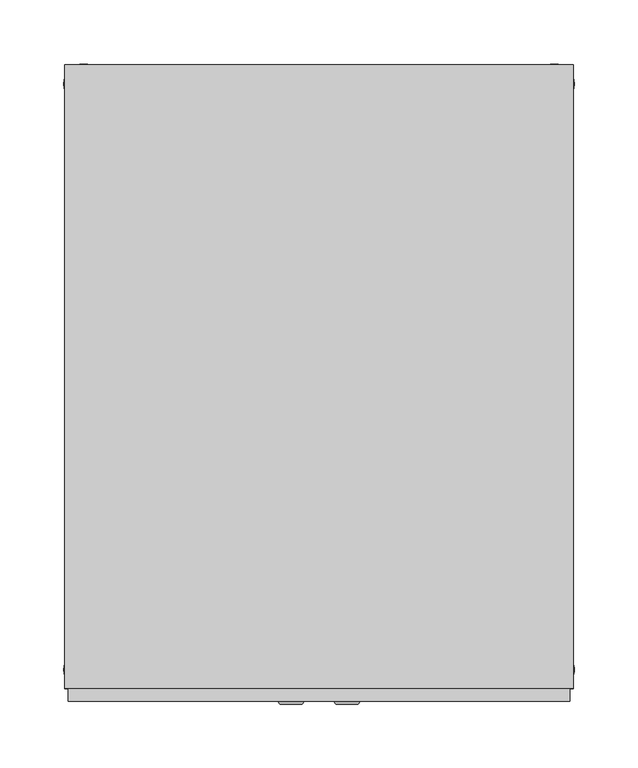
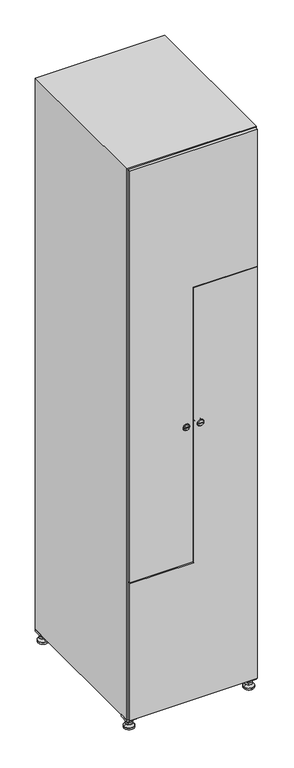
"""IFC4 building model written with IfcOpenShell, lengths in millimetres: furniture geometry."""

from ifc_helpers import new_model, si_unit, point, frame, frame_2d, origin, origin_with_axes, place, context, project, spatial, polyline, circle_curve, trimmed, segment, composite_curve, outline, extrude, faceted_brep, source, transform, mapped, element, save
from ifc_brep_helpers import plane_surface, revolved_surface, advanced_brep


def furniture_ac63d819(model_context):
    return source(origin(), model_context, "Body", "SolidModel", [
        extrude(outline(polyline([(200.0, 245.0), (200.0, 215.0), (170.0, 215.0), (170.0, 245.0), (200.0, 245.0)]), holes=[polyline([(198.0, 243.0), (172.0, 243.0), (172.0, 217.0), (198.0, 217.0), (198.0, 243.0)])]), frame((0.0, 0.0, 28.5), z_axis=(0.0, 0.0, 1.0), x_axis=(1.0, 0.0, 0.0)), (0.0, 0.0, 1.0), 6.5),
        extrude(outline(polyline([(170.0, -245.0), (170.0, -215.0), (200.0, -215.0), (200.0, -245.0), (170.0, -245.0)]), holes=[polyline([(172.0, -243.0), (198.0, -243.0), (198.0, -217.0), (172.0, -217.0), (172.0, -243.0)])]), frame((0.0, 0.0, 28.5), z_axis=(0.0, 0.0, 1.0), x_axis=(1.0, 0.0, 0.0)), (0.0, 0.0, 1.0), 6.5),
        extrude(outline(polyline([(-170.0, 245.0), (-170.0, 215.0), (-200.0, 215.0), (-200.0, 245.0), (-170.0, 245.0)]), holes=[polyline([(-172.0, 243.0), (-198.0, 243.0), (-198.0, 217.0), (-172.0, 217.0), (-172.0, 243.0)])]), frame((0.0, 0.0, 28.5), z_axis=(0.0, 0.0, 1.0), x_axis=(1.0, 0.0, 0.0)), (0.0, 0.0, 1.0), 6.5),
        extrude(outline(polyline([(-170.0, -215.0), (-170.0, -245.0), (-200.0, -245.0), (-200.0, -215.0), (-170.0, -215.0)]), holes=[polyline([(-198.0, -243.0), (-172.0, -243.0), (-172.0, -217.0), (-198.0, -217.0), (-198.0, -243.0)])]), frame((0.0, 0.0, 28.5), z_axis=(0.0, 0.0, 1.0), x_axis=(1.0, 0.0, 0.0)), (0.0, 0.0, 1.0), 6.5),
        extrude(outline(composite_curve([segment(trimmed(circle_curve(frame_2d((-185.0, 230.0)), 5.0), [point((-180.0, 230.0))], [point((-190.0, 230.0))], False, "CARTESIAN"), True, "CONTINUOUS"), segment(trimmed(circle_curve(frame_2d((-185.0, 230.0)), 5.0), [point((-190.0, 230.0))], [point((-180.0, 230.0))], False, "CARTESIAN"), True, "CONTINUOUS")], self_intersect=False)), frame((0.0, 0.0, 19.6), z_axis=(0.0, 0.0, 1.0), x_axis=(1.0, 0.0, 0.0)), (0.0, 0.0, 1.0), 15.4),
        extrude(outline(composite_curve([segment(trimmed(circle_curve(frame_2d((-185.0, -230.0)), 5.0), [point((-180.0, -230.0))], [point((-190.0, -230.0))], False, "CARTESIAN"), True, "CONTINUOUS"), segment(trimmed(circle_curve(frame_2d((-185.0, -230.0)), 5.0), [point((-190.0, -230.0))], [point((-180.0, -230.0))], False, "CARTESIAN"), True, "CONTINUOUS")], self_intersect=False)), frame((0.0, 0.0, 19.6), z_axis=(0.0, 0.0, 1.0), x_axis=(1.0, 0.0, 0.0)), (0.0, 0.0, 1.0), 15.4),
        extrude(outline(composite_curve([segment(trimmed(circle_curve(frame_2d((185.0, 230.0)), 5.0), [point((190.0, 230.0))], [point((180.0, 230.0))], False, "CARTESIAN"), True, "CONTINUOUS"), segment(trimmed(circle_curve(frame_2d((185.0, 230.0)), 5.0), [point((180.0, 230.0))], [point((190.0, 230.0))], False, "CARTESIAN"), True, "CONTINUOUS")], self_intersect=False)), frame((0.0, 0.0, 19.6), z_axis=(0.0, 0.0, 1.0), x_axis=(1.0, 0.0, 0.0)), (0.0, 0.0, 1.0), 15.4),
        extrude(outline(polyline([(173.4529946, 230.0), (179.2264973, 240.0), (190.7735027, 240.0), (196.5470054, 230.0), (190.7735027, 220.0), (179.2264973, 220.0), (173.4529946, 230.0)])), frame((0.0, 0.0, 13.6), z_axis=(0.0, 0.0, 1.0), x_axis=(1.0, 0.0, 0.0)), (0.0, 0.0, 1.0), 6.0),
        extrude(outline(composite_curve([segment(trimmed(circle_curve(frame_2d((185.0, -230.0)), 5.0), [point((190.0, -230.0))], [point((180.0, -230.0))], False, "CARTESIAN"), True, "CONTINUOUS"), segment(trimmed(circle_curve(frame_2d((185.0, -230.0)), 5.0), [point((180.0, -230.0))], [point((190.0, -230.0))], False, "CARTESIAN"), True, "CONTINUOUS")], self_intersect=False)), frame((0.0, 0.0, 19.6), z_axis=(0.0, 0.0, 1.0), x_axis=(1.0, 0.0, 0.0)), (0.0, 0.0, 1.0), 15.4),
        extrude(outline(polyline([(173.4529946, -230.0), (179.2264973, -220.0), (190.7735027, -220.0), (196.5470054, -230.0), (190.7735027, -240.0), (179.2264973, -240.0), (173.4529946, -230.0)])), frame((0.0, 0.0, 13.6), z_axis=(0.0, 0.0, 1.0), x_axis=(1.0, 0.0, 0.0)), (0.0, 0.0, 1.0), 6.0),
        extrude(outline(composite_curve([segment(trimmed(circle_curve(frame_2d((185.0, 230.0)), 5.0), [point((190.0, 230.0))], [point((180.0, 230.0))], False, "CARTESIAN"), True, "CONTINUOUS"), segment(trimmed(circle_curve(frame_2d((185.0, 230.0)), 5.0), [point((180.0, 230.0))], [point((190.0, 230.0))], False, "CARTESIAN"), True, "CONTINUOUS")], self_intersect=False)), frame((0.0, 0.0, 12.1), z_axis=(0.0, 0.0, 1.0), x_axis=(1.0, 0.0, 0.0)), (0.0, 0.0, 1.0), 1.5),
        extrude(outline(composite_curve([segment(trimmed(circle_curve(frame_2d((185.0, -230.0)), 5.0), [point((190.0, -230.0))], [point((180.0, -230.0))], False, "CARTESIAN"), True, "CONTINUOUS"), segment(trimmed(circle_curve(frame_2d((185.0, -230.0)), 5.0), [point((180.0, -230.0))], [point((190.0, -230.0))], False, "CARTESIAN"), True, "CONTINUOUS")], self_intersect=False)), frame((0.0, 0.0, 12.1), z_axis=(0.0, 0.0, 1.0), x_axis=(1.0, 0.0, 0.0)), (0.0, 0.0, 1.0), 1.5),
        extrude(outline(polyline([(-196.5470054, 230.0), (-190.7735027, 240.0), (-179.2264973, 240.0), (-173.4529946, 230.0), (-179.2264973, 220.0), (-190.7735027, 220.0), (-196.5470054, 230.0)])), frame((0.0, 0.0, 13.6), z_axis=(0.0, 0.0, 1.0), x_axis=(1.0, 0.0, 0.0)), (0.0, 0.0, 1.0), 6.0),
        extrude(outline(polyline([(-196.5470054, -230.0), (-190.7735027, -220.0), (-179.2264973, -220.0), (-173.4529946, -230.0), (-179.2264973, -240.0), (-190.7735027, -240.0), (-196.5470054, -230.0)])), frame((0.0, 0.0, 13.6), z_axis=(0.0, 0.0, 1.0), x_axis=(1.0, 0.0, 0.0)), (0.0, 0.0, 1.0), 6.0),
        extrude(outline(composite_curve([segment(trimmed(circle_curve(frame_2d((-185.0, 230.0)), 5.0), [point((-185.0, 235.0))], [point((-185.0, 225.0))], False, "CARTESIAN"), True, "CONTINUOUS"), segment(trimmed(circle_curve(frame_2d((-185.0, 230.0)), 5.0), [point((-185.0, 225.0))], [point((-185.0, 235.0))], False, "CARTESIAN"), True, "CONTINUOUS")], self_intersect=False)), frame((0.0, 0.0, 12.1), z_axis=(0.0, 0.0, 1.0), x_axis=(1.0, 0.0, 0.0)), (0.0, 0.0, 1.0), 1.5),
        extrude(outline(composite_curve([segment(trimmed(circle_curve(frame_2d((-185.0, -230.0)), 5.0), [point((-180.0, -230.0))], [point((-190.0, -230.0))], False, "CARTESIAN"), True, "CONTINUOUS"), segment(trimmed(circle_curve(frame_2d((-185.0, -230.0)), 5.0), [point((-190.0, -230.0))], [point((-180.0, -230.0))], False, "CARTESIAN"), True, "CONTINUOUS")], self_intersect=False)), frame((0.0, 0.0, 12.1), z_axis=(0.0, 0.0, 1.0), x_axis=(1.0, 0.0, 0.0)), (0.0, 0.0, 1.0), 1.5),
        extrude(outline(composite_curve([segment(trimmed(circle_curve(frame_2d((185.0, 230.0)), 15.75), [point((200.75, 230.0))], [point((169.25, 230.0))], False, "CARTESIAN"), True, "CONTINUOUS"), segment(trimmed(circle_curve(frame_2d((185.0, 230.0)), 15.75), [point((169.25, 230.0))], [point((200.75, 230.0))], False, "CARTESIAN"), True, "CONTINUOUS")], self_intersect=False)), origin_with_axes(), (0.0, 0.0, 1.0), 5.1),
        extrude(outline(composite_curve([segment(trimmed(circle_curve(frame_2d((185.0, -230.0)), 15.75), [point((185.0, -214.25))], [point((185.0, -245.75))], False, "CARTESIAN"), True, "CONTINUOUS"), segment(trimmed(circle_curve(frame_2d((185.0, -230.0)), 15.75), [point((185.0, -245.75))], [point((185.0, -214.25))], False, "CARTESIAN"), True, "CONTINUOUS")], self_intersect=False)), origin_with_axes(), (0.0, 0.0, 1.0), 5.1),
        extrude(outline(composite_curve([segment(trimmed(circle_curve(frame_2d((-185.0, -230.0)), 15.75), [point((-169.25, -230.0))], [point((-200.75, -230.0))], False, "CARTESIAN"), True, "CONTINUOUS"), segment(trimmed(circle_curve(frame_2d((-185.0, -230.0)), 15.75), [point((-200.75, -230.0))], [point((-169.25, -230.0))], False, "CARTESIAN"), True, "CONTINUOUS")], self_intersect=False)), origin_with_axes(), (0.0, 0.0, 1.0), 5.1),
        extrude(outline(composite_curve([segment(trimmed(circle_curve(frame_2d((-185.0, 230.0)), 15.75), [point((-169.25, 230.0))], [point((-200.75, 230.0))], False, "CARTESIAN"), True, "CONTINUOUS"), segment(trimmed(circle_curve(frame_2d((-185.0, 230.0)), 15.75), [point((-200.75, 230.0))], [point((-169.25, 230.0))], False, "CARTESIAN"), True, "CONTINUOUS")], self_intersect=False)), origin_with_axes(), (0.0, 0.0, 1.0), 5.1),
        advanced_brep(
        [(-185.0, 239.5, 12.1), (-185.0, 220.5, 12.1), (-185.0, 214.25, 5.1), (-185.0, 245.75, 5.1)],
        [
            (0, 1, circle_curve(frame((-185.0, 230.0, 12.1), z_axis=(0.0, 0.0, -1.0), x_axis=(0.0, 1.0, 0.0)), 9.5)),
            (1, 2),
            (2, 3, circle_curve(frame((-185.0, 230.0, 5.1), z_axis=(0.0, 0.0, 1.0), x_axis=(0.0, 1.0, 0.0)), 15.75)),
            (3, 0),
            (1, 0, circle_curve(frame((-185.0, 230.0, 12.1), z_axis=(0.0, 0.0, -1.0), x_axis=(0.0, -1.0, 0.0)), 9.5)),
            (3, 2, circle_curve(frame((-185.0, 230.0, 5.1), z_axis=(0.0, 0.0, 1.0), x_axis=(0.0, -1.0, 0.0)), 15.75)),
        ],
        [
            revolved_surface(polyline([(-185.0, 220.5, 12.099999999999998), (-185.0, 214.25, 5.099999999999998)]), (-185.0, 230.0, 22.74), (0.0, 0.0, -1.0)),
            revolved_surface(polyline([(-185.0, 239.5, 12.099999999999998), (-185.0, 245.75, 5.099999999999998)]), (-185.0, 230.0, 22.74), (0.0, 0.0, -1.0)),
            plane_surface(frame((-185.0, 230.0, 5.1), z_axis=(0.0, 0.0, -1.0), x_axis=(1.0, 0.0, 0.0))),
            plane_surface(frame((-185.0, 230.0, 12.1), z_axis=(0.0, 0.0, 1.0), x_axis=(1.0, 0.0, 0.0))),
        ],
        [
            (0, [[1, 2, 3, 4]]),
            (1, [[5, -4, 6, -2]]),
            (2, [[-3, -6]]),
            (3, [[-5, -1]]),
        ],
    ),
        advanced_brep(
        [(185.0, 239.5, 12.1), (185.0, 220.5, 12.1), (185.0, 214.25, 5.1), (185.0, 245.75, 5.1)],
        [
            (0, 1, circle_curve(frame((185.0, 230.0, 12.1), z_axis=(0.0, 0.0, -1.0), x_axis=(0.0, 1.0, 0.0)), 9.5)),
            (1, 2),
            (2, 3, circle_curve(frame((185.0, 230.0, 5.1), z_axis=(0.0, 0.0, 1.0), x_axis=(0.0, 1.0, 0.0)), 15.75)),
            (3, 0),
            (1, 0, circle_curve(frame((185.0, 230.0, 12.1), z_axis=(0.0, 0.0, -1.0), x_axis=(0.0, -1.0, 0.0)), 9.5)),
            (3, 2, circle_curve(frame((185.0, 230.0, 5.1), z_axis=(0.0, 0.0, 1.0), x_axis=(0.0, -1.0, 0.0)), 15.75)),
        ],
        [
            revolved_surface(polyline([(185.0, 220.5, 12.099999999999998), (185.0, 214.25, 5.099999999999998)]), (185.0, 230.0, 22.74), (0.0, 0.0, -1.0)),
            revolved_surface(polyline([(185.0, 239.5, 12.099999999999998), (185.0, 245.75, 5.099999999999998)]), (185.0, 230.0, 22.74), (0.0, 0.0, -1.0)),
            plane_surface(frame((185.0, 230.0, 5.1), z_axis=(0.0, 0.0, -1.0), x_axis=(1.0, 0.0, 0.0))),
            plane_surface(frame((185.0, 230.0, 12.1), z_axis=(0.0, 0.0, 1.0), x_axis=(1.0, 0.0, 0.0))),
        ],
        [
            (0, [[1, 2, 3, 4]]),
            (1, [[5, -4, 6, -2]]),
            (2, [[-3, -6]]),
            (3, [[-5, -1]]),
        ],
    ),
        advanced_brep(
        [(200.75, -230.0, 5.1), (169.25, -230.0, 5.1), (175.5, -230.0, 12.1), (194.5, -230.0, 12.1)],
        [
            (0, 1, circle_curve(frame((185.0, -230.0, 5.1), z_axis=(0.0, 0.0, 1.0), x_axis=(1.0, 0.0, 0.0)), 15.75)),
            (1, 2),
            (2, 3, circle_curve(frame((185.0, -230.0, 12.1), z_axis=(0.0, 0.0, -1.0), x_axis=(1.0, 0.0, 0.0)), 9.5)),
            (3, 0),
            (1, 0, circle_curve(frame((185.0, -230.0, 5.1), z_axis=(0.0, 0.0, 1.0), x_axis=(-1.0, 0.0, 0.0)), 15.75)),
            (3, 2, circle_curve(frame((185.0, -230.0, 12.1), z_axis=(0.0, 0.0, -1.0), x_axis=(-1.0, 0.0, 0.0)), 9.5)),
        ],
        [
            revolved_surface(polyline([(194.5, -230.0, 12.099999999999998), (200.75, -230.0, 5.099999999999998)]), (185.0, -230.0, 22.74), (0.0, 0.0, -1.0)),
            revolved_surface(polyline([(175.5, -230.0, 12.099999999999998), (169.25, -230.0, 5.099999999999998)]), (185.0, -230.0, 22.74), (0.0, 0.0, -1.0)),
            plane_surface(frame((185.0, -230.0, 12.1), z_axis=(0.0, 0.0, 1.0), x_axis=(0.0, 1.0, 0.0))),
            plane_surface(frame((185.0, -230.0, 5.1), z_axis=(0.0, 0.0, -1.0), x_axis=(0.0, 1.0, 0.0))),
        ],
        [
            (0, [[1, 2, 3, 4]]),
            (1, [[5, -4, 6, -2]]),
            (2, [[-3, -6]]),
            (3, [[-5, -1]]),
        ],
    ),
        advanced_brep(
        [(-169.25, -230.0, 5.1), (-200.75, -230.0, 5.1), (-194.5, -230.0, 12.1), (-175.5, -230.0, 12.1)],
        [
            (0, 1, circle_curve(frame((-185.0, -230.0, 5.1), z_axis=(0.0, 0.0, 1.0), x_axis=(1.0, 0.0, 0.0)), 15.75)),
            (1, 2),
            (2, 3, circle_curve(frame((-185.0, -230.0, 12.1), z_axis=(0.0, 0.0, -1.0), x_axis=(1.0, 0.0, 0.0)), 9.5)),
            (3, 0),
            (1, 0, circle_curve(frame((-185.0, -230.0, 5.1), z_axis=(0.0, 0.0, 1.0), x_axis=(-1.0, 0.0, 0.0)), 15.75)),
            (3, 2, circle_curve(frame((-185.0, -230.0, 12.1), z_axis=(0.0, 0.0, -1.0), x_axis=(-1.0, 0.0, 0.0)), 9.5)),
        ],
        [
            revolved_surface(polyline([(-175.5, -230.0, 12.099999999999998), (-169.25, -230.0, 5.099999999999998)]), (-185.0, -230.0, 22.74), (0.0, 0.0, -1.0)),
            revolved_surface(polyline([(-194.5, -230.0, 12.099999999999998), (-200.75, -230.0, 5.099999999999998)]), (-185.0, -230.0, 22.74), (0.0, 0.0, -1.0)),
            plane_surface(frame((-185.0, -230.0, 12.1), z_axis=(0.0, 0.0, 1.0), x_axis=(0.0, 1.0, 0.0))),
            plane_surface(frame((-185.0, -230.0, 5.1), z_axis=(0.0, 0.0, -1.0), x_axis=(0.0, 1.0, 0.0))),
        ],
        [
            (0, [[1, 2, 3, 4]]),
            (1, [[5, -4, 6, -2]]),
            (2, [[-3, -6]]),
            (3, [[-5, -1]]),
        ],
    ),
        extrude(outline(composite_curve([segment(trimmed(circle_curve(frame_2d((935.0, 4.7989466)), 7.0), [point((928.0, 4.7989466))], [point((942.0, 4.7989466))], False, "CARTESIAN"), True, "CONTINUOUS"), segment(polyline([(942.0, 4.7989466), (942.0, -23.2010534)]), True, "CONTINUOUS"), segment(trimmed(circle_curve(frame_2d((935.0, -23.2010534)), 7.0), [point((942.0, -23.2010534))], [point((928.0, -23.2010534))], False, "CARTESIAN"), True, "CONTINUOUS"), segment(polyline([(928.0, -23.2010534), (928.0, 4.7989466)]), True, "CONTINUOUS")], self_intersect=False)), frame((0.0, -245.0, 0.0), z_axis=(0.0, 1.0, 0.0), x_axis=(0.0, 0.0, 1.0)), (0.0, 0.0, 1.0), 2.0),
        advanced_brep(
        [(-30.5, -257.2, 935.0), (-13.5, -257.2, 935.0), (-17.0, -257.2, 936.25), (-17.0, -257.2, 933.75), (-27.0, -257.2, 933.75), (-27.0, -257.2, 936.25), (-32.5, -255.0, 935.0), (-11.5, -255.0, 935.0), (-17.0, -255.0, 933.75), (-17.0, -255.0, 936.25), (-27.0, -255.0, 936.25), (-27.0, -255.0, 933.75)],
        [
            (0, 1, circle_curve(frame((-22.0, -257.2, 935.0), z_axis=(0.0, -1.0, 0.0), x_axis=(-1.0, 0.0, 0.0)), 8.5)),
            (1, 0, circle_curve(frame((-22.0, -257.2, 935.0), z_axis=(0.0, -1.0, 0.0), x_axis=(1.0, 0.0, 0.0)), 8.5)),
            (2, 3),
            (3, 4),
            (4, 5),
            (5, 2),
            (6, 7, circle_curve(frame((-22.0, -255.0, 935.0), z_axis=(0.0, 1.0, 0.0), x_axis=(1.0, 0.0, 0.0)), 10.5)),
            (7, 6, circle_curve(frame((-22.0, -255.0, 935.0), z_axis=(0.0, 1.0, 0.0), x_axis=(-1.0, 0.0, 0.0)), 10.5)),
            (8, 9),
            (9, 10),
            (10, 11),
            (11, 8),
            (0, 6),
            (7, 1),
            (8, 3),
            (2, 9),
            (11, 4),
            (10, 5),
        ],
        [
            plane_surface(frame((-22.0, -257.2, 935.0), z_axis=(0.0, -1.0, 0.0), x_axis=(0.0, 0.0, -1.0))),
            plane_surface(frame((-22.0, -255.0, 935.0), z_axis=(0.0, 1.0, 0.0), x_axis=(0.0, 0.0, -1.0))),
            revolved_surface(polyline([(-30.500000000000014, -257.2, 935.0), (-32.5, -255.0, 935.0)]), (-22.0, -266.55, 935.0), (0.0, 1.0, 0.0)),
            revolved_surface(polyline([(-13.499999999999988, -257.2, 935.0), (-11.5, -255.0, 935.0)]), (-22.0, -266.55, 935.0), (0.0, 1.0, 0.0)),
            plane_surface(frame((-17.0, -255.0, 936.25), z_axis=(-1.0, 0.0, 0.0), x_axis=(0.0, -1.0, 0.0))),
            plane_surface(frame((-17.0, -255.0, 933.75), z_axis=(0.0, 0.0, 1.0), x_axis=(0.0, -1.0, 0.0))),
            plane_surface(frame((-27.0, -255.0, 933.75), z_axis=(1.0, 0.0, 0.0), x_axis=(0.0, -1.0, 0.0))),
            plane_surface(frame((-27.0, -255.0, 936.25), z_axis=(0.0, 0.0, -1.0), x_axis=(0.0, -1.0, 0.0))),
        ],
        [
            (0, [[1, 2], [3, 4, 5, 6]]),
            (1, [[7, 8], [9, 10, 11, 12]]),
            (2, [[-1, 13, -8, 14]]),
            (3, [[-2, -14, -7, -13]]),
            (4, [[15, -3, 16, -9]]),
            (5, [[-15, -12, 17, -4]]),
            (6, [[-17, -11, 18, -5]]),
            (7, [[-16, -6, -18, -10]]),
        ],
    ),
        extrude(outline(polyline([(1832.0, -197.0), (488.0, -197.0), (488.0, -1.5), (1385.0, -1.5), (1385.0, 197.0), (1832.0, 197.0), (1832.0, -197.0)])), frame((0.0, -255.0, 0.0), z_axis=(0.0, 1.0, 0.0), x_axis=(0.0, 0.0, 1.0)), (0.0, 0.0, 1.0), 10.0),
        extrude(outline(composite_curve([segment(trimmed(circle_curve(frame_2d((935.0, -4.7989466)), 7.0), [point((942.0, -4.7989466))], [point((928.0, -4.7989466))], False, "CARTESIAN"), True, "CONTINUOUS"), segment(polyline([(928.0, -4.7989466), (928.0, 23.2010534)]), True, "CONTINUOUS"), segment(trimmed(circle_curve(frame_2d((935.0, 23.2010534)), 7.0), [point((928.0, 23.2010534))], [point((942.0, 23.2010534))], False, "CARTESIAN"), True, "CONTINUOUS"), segment(polyline([(942.0, 23.2010534), (942.0, -4.7989466)]), True, "CONTINUOUS")], self_intersect=False)), frame((0.0, -245.0, 0.0), z_axis=(0.0, 1.0, 0.0), x_axis=(0.0, 0.0, 1.0)), (0.0, 0.0, 1.0), 2.0),
        advanced_brep(
        [(30.5, -257.2, 935.0), (13.5, -257.2, 935.0), (17.0, -257.2, 933.75), (17.0, -257.2, 936.25), (27.0, -257.2, 936.25), (27.0, -257.2, 933.75), (32.5, -255.0, 935.0), (11.5, -255.0, 935.0), (17.0, -255.0, 936.25), (17.0, -255.0, 933.75), (27.0, -255.0, 933.75), (27.0, -255.0, 936.25)],
        [
            (0, 1, circle_curve(frame((22.0, -257.2, 935.0), z_axis=(0.0, -1.0, 0.0), x_axis=(1.0, 0.0, 0.0)), 8.5)),
            (1, 0, circle_curve(frame((22.0, -257.2, 935.0), z_axis=(0.0, -1.0, 0.0), x_axis=(-1.0, 0.0, 0.0)), 8.5)),
            (2, 3),
            (3, 4),
            (4, 5),
            (5, 2),
            (6, 7, circle_curve(frame((22.0, -255.0, 935.0), z_axis=(0.0, 1.0, 0.0), x_axis=(-1.0, 0.0, 0.0)), 10.5)),
            (7, 6, circle_curve(frame((22.0, -255.0, 935.0), z_axis=(0.0, 1.0, 0.0), x_axis=(1.0, 0.0, 0.0)), 10.5)),
            (8, 9),
            (9, 10),
            (10, 11),
            (11, 8),
            (0, 6),
            (7, 1),
            (8, 3),
            (2, 9),
            (11, 4),
            (10, 5),
        ],
        [
            plane_surface(frame((22.0, -257.2, 935.0), z_axis=(0.0, -1.0, 0.0), x_axis=(0.0, 0.0, 1.0))),
            plane_surface(frame((22.0, -255.0, 935.0), z_axis=(0.0, 1.0, 0.0), x_axis=(0.0, 0.0, 1.0))),
            revolved_surface(polyline([(30.500000000000014, -257.2, 935.0), (32.5, -255.0, 935.0)]), (22.0, -266.55, 935.0), (0.0, 1.0, 0.0)),
            revolved_surface(polyline([(13.499999999999988, -257.2, 935.0), (11.5, -255.0, 935.0)]), (22.0, -266.55, 935.0), (0.0, 1.0, 0.0)),
            plane_surface(frame((17.0, -255.0, 933.75), z_axis=(1.0, 0.0, 0.0), x_axis=(0.0, -1.0, 0.0))),
            plane_surface(frame((17.0, -255.0, 936.25), z_axis=(0.0, 0.0, -1.0), x_axis=(0.0, -1.0, 0.0))),
            plane_surface(frame((27.0, -255.0, 936.25), z_axis=(-1.0, 0.0, 0.0), x_axis=(0.0, -1.0, 0.0))),
            plane_surface(frame((27.0, -255.0, 933.75), z_axis=(0.0, 0.0, 1.0), x_axis=(0.0, -1.0, 0.0))),
        ],
        [
            (0, [[1, 2], [3, 4, 5, 6]]),
            (1, [[7, 8], [9, 10, 11, 12]]),
            (2, [[-1, 13, -8, 14]]),
            (3, [[-2, -14, -7, -13]]),
            (4, [[15, -3, 16, -9]]),
            (5, [[-15, -12, 17, -4]]),
            (6, [[-17, -11, 18, -5]]),
            (7, [[-16, -6, -18, -10]]),
        ],
    ),
        extrude(outline(polyline([(38.0, 197.0), (1382.0, 197.0), (1382.0, 1.5), (485.0, 1.5), (485.0, -197.0), (38.0, -197.0), (38.0, 197.0)])), frame((0.0, -255.0, 0.0), z_axis=(0.0, 1.0, 0.0), x_axis=(0.0, 0.0, 1.0)), (0.0, 0.0, 1.0), 10.0),
        extrude(outline(polyline([(1373.3, 179.6), (1393.7, 179.6), (1393.7, -10.2), (496.7, -10.2), (496.7, -179.6), (476.3, -179.6), (476.3, 10.2), (1373.3, 10.2), (1373.3, 179.6)])), frame((0.0, -245.0, 0.0), z_axis=(0.0, 1.0, 0.0), x_axis=(0.0, 0.0, 1.0)), (0.0, 0.0, 1.0), 487.0),
        faceted_brep([(200.0, -245.0, 35.0), (200.0, -245.0, 1835.0), (-200.0, -245.0, 1835.0), (-200.0, -245.0, 35.0), (179.6, -245.0, 1804.8), (179.6, -245.0, 65.2), (-179.6, -245.0, 65.2), (-179.6, -245.0, 1804.8), (200.0, 245.0, 35.0), (-200.0, 245.0, 35.0), (200.0, 245.0, 1835.0), (-200.0, 245.0, 1835.0), (179.6, 242.0, 1804.8), (179.6, 242.0, 65.2), (-200.0, 245.0, 1804.8), (-179.6, 242.0, 1804.8), (-179.6, 242.0, 65.2)], [[[0, 1, 2, 3], [4, 5, 6, 7]], [[8, 0, 3, 9]], [[1, 0, 8, 10]], [[1, 10, 11, 2]], [[4, 12, 13, 5]], [[9, 3, 2, 11, 14]], [[10, 8, 9, 14, 11]], [[12, 15, 16, 13]], [[15, 7, 6, 16]], [[4, 7, 15, 12]], [[6, 5, 13, 16]]]),
    ])


if __name__ == "__main__":
    model = new_model("IFC4")
    model_context = context("Model", 3, world=origin())
    ifc_project = project(units=[si_unit("LENGTHUNIT", "METRE", prefix="MILLI")], contexts=[model_context])
    site = spatial("IfcSite", under=ifc_project)
    building = spatial("IfcBuilding", under=site)
    placement = place(None, origin())
    furniture_shape = furniture_ac63d819(model_context)
    element("IfcFurniture", 1, at=placement, inside=building, context=model_context, shape_type="MappedRepresentation", body=[
        mapped(furniture_shape, transform((0.0, 0.0, 0.0), x_axis=(1.0, 0.0, 0.0), y_axis=(0.0, 1.0, 0.0), z_axis=(0.0, 0.0, 1.0))),
    ])
    save(model, "model.ifc")
